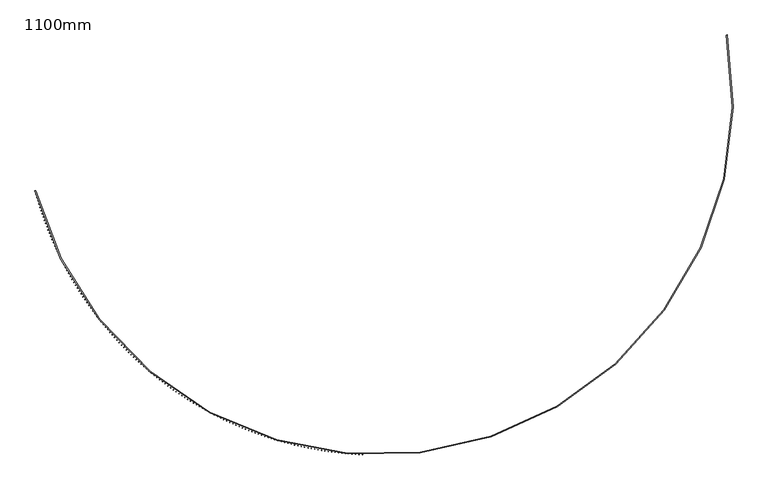
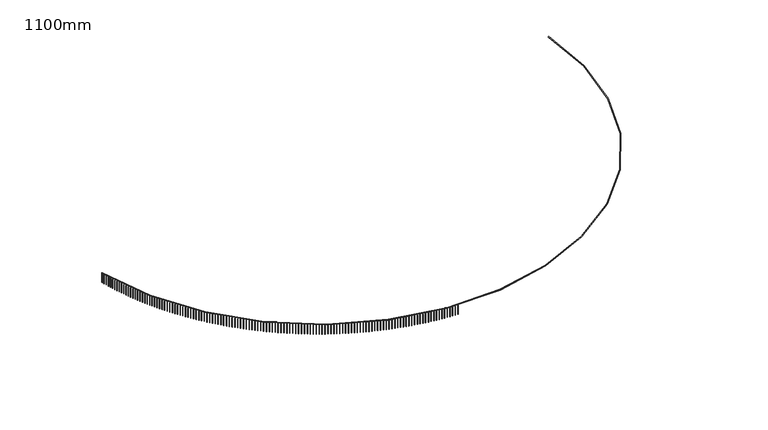
"""IFC4 building model written with IfcOpenShell, lengths in millimetres: railing geometry, 1100mm."""

from ifc_helpers import new_model, si_unit, point, frame, frame_2d, origin, place, context, project, spatial, polyline, circle_curve, trimmed, segment, composite_curve, outline, extrude, source, transform, mapped, element, save


def railing_1100mm_19614860(model_context):
    return source(origin(), model_context, "Body", "SweptSolid", [
        extrude(outline(composite_curve([segment(trimmed(circle_curve(frame_2d((-9136.8690583, -54154.7608855)), 28388.8165606), [point((-36585.4829825, -61400.3457034))], [point((18767.7276518, -48933.8042532))], True, "CARTESIAN"), True, "CONTINUOUS"), segment(polyline([(18767.7276518, -48933.8042532), (18816.8748162, -48924.6088071)]), True, "CONTINUOUS"), segment(trimmed(circle_curve(frame_2d((-9136.8690583, -54154.7608855)), 28438.8165606), [point((18816.8748162, -48924.6088071))], [point((-36633.8270441, -61413.1070399))], False, "CARTESIAN"), True, "CONTINUOUS"), segment(polyline([(-36633.8270441, -61413.1070399), (-36585.4829825, -61400.3457034)]), True, "CONTINUOUS")], self_intersect=False)), frame((0.0, 0.0, 19650.0), z_axis=(0.0, 0.0, 1.0), x_axis=(1.0, 0.0, 0.0)), (0.0, 0.0, 1.0), 50.0),
        extrude(outline(polyline([(-36591.3081731, -61427.223434), (-36615.4775056, -61433.6143155), (-36621.8683871, -61409.444983), (-36597.6990545, -61403.0541015), (-36591.3081731, -61427.223434)])), frame((0.0, 0.0, 18600.0), z_axis=(0.0, 0.0, 1.0), x_axis=(1.0, 0.0, 0.0)), (0.0, 0.0, 1.0), 1050.0),
        extrude(outline(polyline([(-36519.6377071, -61692.593449), (-36543.7440551, -61699.2179477), (-36550.3685538, -61675.1115996), (-36526.2622058, -61668.4871009), (-36519.6377071, -61692.593449)])), frame((0.0, 0.0, 18600.0), z_axis=(0.0, 0.0, 1.0), x_axis=(1.0, 0.0, 0.0)), (0.0, 0.0, 1.0), 1050.0),
        extrude(outline(polyline([(-36445.4022833, -61957.2573914), (-36469.4433889, -61964.1148868), (-36476.3008843, -61940.0737813), (-36452.2597788, -61933.2162858), (-36445.4022833, -61957.2573914)])), frame((0.0, 0.0, 18600.0), z_axis=(0.0, 0.0, 1.0), x_axis=(1.0, 0.0, 0.0)), (0.0, 0.0, 1.0), 1050.0),
        extrude(outline(polyline([(-36368.6088556, -62221.19047), (-36392.5824667, -62228.2803198), (-36399.6723165, -62204.3067087), (-36375.6987054, -62197.2168589), (-36368.6088556, -62221.19047)])), frame((0.0, 0.0, 18600.0), z_axis=(0.0, 0.0, 1.0), x_axis=(1.0, 0.0, 0.0)), (0.0, 0.0, 1.0), 1050.0),
        extrude(outline(polyline([(-36289.264617, -62484.3679621), (-36313.1684881, -62491.6895022), (-36320.4900282, -62467.7856312), (-36296.5861571, -62460.4640911), (-36289.264617, -62484.3679621)])), frame((0.0, 0.0, 18600.0), z_axis=(0.0, 0.0, 1.0), x_axis=(1.0, 0.0, 0.0)), (0.0, 0.0, 1.0), 1050.0),
        extrude(outline(polyline([(-36207.3769999, -62746.7652157), (-36231.2088918, -62754.3177603), (-36238.7614364, -62730.4858684), (-36214.9295445, -62722.9333238), (-36207.3769999, -62746.7652157)])), frame((0.0, 0.0, 18600.0), z_axis=(0.0, 0.0, 1.0), x_axis=(1.0, 0.0, 0.0)), (0.0, 0.0, 1.0), 1050.0),
        extrude(outline(polyline([(-36122.9536747, -63008.357652), (-36146.7113551, -63016.1404936), (-36154.4941967, -62992.3828132), (-36130.7365163, -62984.5999716), (-36122.9536747, -63008.357652)])), frame((0.0, 0.0, 18600.0), z_axis=(0.0, 0.0, 1.0), x_axis=(1.0, 0.0, 0.0)), (0.0, 0.0, 1.0), 1050.0),
        extrude(outline(polyline([(-36036.0025494, -63269.1207673), (-36059.6837929, -63277.1331769), (-36067.6962025, -63253.4519335), (-36044.014959, -63245.4395239), (-36036.0025494, -63269.1207673)])), frame((0.0, 0.0, 18600.0), z_axis=(0.0, 0.0, 1.0), x_axis=(1.0, 0.0, 0.0)), (0.0, 0.0, 1.0), 1050.0),
        extrude(outline(polyline([(-35946.5317687, -63529.030136), (-35970.1343571, -63537.2713631), (-35978.3755841, -63513.6687748), (-35954.7729958, -63505.4275477), (-35946.5317687, -63529.030136)])), frame((0.0, 0.0, 18600.0), z_axis=(0.0, 0.0, 1.0), x_axis=(1.0, 0.0, 0.0)), (0.0, 0.0, 1.0), 1050.0),
        extrude(outline(polyline([(-35854.5497134, -63788.0614122), (-35878.0714358, -63796.5306848), (-35886.5407084, -63773.0089625), (-35863.018986, -63764.5396899), (-35854.5497134, -63788.0614122)])), frame((0.0, 0.0, 18600.0), z_axis=(0.0, 0.0, 1.0), x_axis=(1.0, 0.0, 0.0)), (0.0, 0.0, 1.0), 1050.0),
        extrude(outline(polyline([(-35760.0649996, -64046.1903323), (-35783.5036526, -64054.8868571), (-35792.2001774, -64031.448204), (-35768.7615243, -64022.7516793), (-35760.0649996, -64046.1903323)])), frame((0.0, 0.0, 18600.0), z_axis=(0.0, 0.0, 1.0), x_axis=(1.0, 0.0, 0.0)), (0.0, 0.0, 1.0), 1050.0),
        extrude(outline(polyline([(-35663.0864775, -64303.3927172), (-35686.4398658, -64312.3156796), (-35695.3628281, -64288.9622913), (-35672.0094399, -64280.039329), (-35663.0864775, -64303.3927172)])), frame((0.0, 0.0, 18600.0), z_axis=(0.0, 0.0, 1.0), x_axis=(1.0, 0.0, 0.0)), (0.0, 0.0, 1.0), 1050.0),
        extrude(outline(polyline([(-35563.6232314, -64559.6444747), (-35586.8891673, -64568.7930388), (-35596.0377314, -64545.5271029), (-35572.7717955, -64536.3785387), (-35563.6232314, -64559.6444747)])), frame((0.0, 0.0, 18600.0), z_axis=(0.0, 0.0, 1.0), x_axis=(1.0, 0.0, 0.0)), (0.0, 0.0, 1.0), 1050.0),
        extrude(outline(polyline([(-35461.6845778, -64814.9216014), (-35484.8608821, -64824.2949104), (-35494.234191, -64801.1186061), (-35471.0578868, -64791.7452972), (-35461.6845778, -64814.9216014)])), frame((0.0, 0.0, 18600.0), z_axis=(0.0, 0.0, 1.0), x_axis=(1.0, 0.0, 0.0)), (0.0, 0.0, 1.0), 1050.0),
        extrude(outline(polyline([(-35357.2800656, -65069.2001856), (-35380.3645673, -65078.7973613), (-35389.961743, -65055.7128597), (-35366.8772413, -65046.1156839), (-35357.2800656, -65069.2001856)])), frame((0.0, 0.0, 18600.0), z_axis=(0.0, 0.0, 1.0), x_axis=(1.0, 0.0, 0.0)), (0.0, 0.0, 1.0), 1050.0),
        extrude(outline(polyline([(-35250.4194743, -65322.4564087), (-35273.410011, -65332.2765523), (-35283.2301546, -65309.2860156), (-35260.2396179, -65299.465872), (-35250.4194743, -65322.4564087)])), frame((0.0, 0.0, 18600.0), z_axis=(0.0, 0.0, 1.0), x_axis=(1.0, 0.0, 0.0)), (0.0, 0.0, 1.0), 1050.0),
        extrude(outline(polyline([(-35141.1128135, -65574.6665482), (-35164.0072318, -65584.7087398), (-35174.0494234, -65561.8143215), (-35151.1550051, -65551.7721299), (-35141.1128135, -65574.6665482)])), frame((0.0, 0.0, 18600.0), z_axis=(0.0, 0.0, 1.0), x_axis=(1.0, 0.0, 0.0)), (0.0, 0.0, 1.0), 1050.0),
        extrude(outline(polyline([(-35029.3703222, -65825.8069794), (-35052.1664775, -65836.0702783), (-35062.4297764, -65813.274123), (-35039.6336211, -65803.0108241), (-35029.3703222, -65825.8069794)])), frame((0.0, 0.0, 18600.0), z_axis=(0.0, 0.0, 1.0), x_axis=(1.0, 0.0, 0.0)), (0.0, 0.0, 1.0), 1050.0),
        extrude(outline(polyline([(-34915.2024673, -66075.8541778), (-34937.8982242, -66086.3376226), (-34948.3816691, -66063.6418657), (-34925.6859121, -66053.1584208), (-34915.2024673, -66075.8541778)])), frame((0.0, 0.0, 18600.0), z_axis=(0.0, 0.0, 1.0), x_axis=(1.0, 0.0, 0.0)), (0.0, 0.0, 1.0), 1050.0),
        extrude(outline(polyline([(-34798.6199429, -66324.7847214), (-34821.2131756, -66335.4873302), (-34831.9157844, -66312.8940975), (-34809.3225517, -66302.1914887), (-34798.6199429, -66324.7847214)])), frame((0.0, 0.0, 18600.0), z_axis=(0.0, 0.0, 1.0), x_axis=(1.0, 0.0, 0.0)), (0.0, 0.0, 1.0), 1050.0),
        extrude(outline(polyline([(-34679.6336693, -66572.5752928), (-34702.1222615, -66583.496063), (-34713.0430317, -66561.0074709), (-34690.5544396, -66550.0867006), (-34679.6336693, -66572.5752928)])), frame((0.0, 0.0, 18600.0), z_axis=(0.0, 0.0, 1.0), x_axis=(1.0, 0.0, 0.0)), (0.0, 0.0, 1.0), 1050.0),
        extrude(outline(polyline([(-34558.2547922, -66819.2026812), (-34580.6366373, -66830.3405899), (-34591.774546, -66807.9587449), (-34569.3927009, -66796.8208361), (-34558.2547922, -66819.2026812)])), frame((0.0, 0.0, 18600.0), z_axis=(0.0, 0.0, 1.0), x_axis=(1.0, 0.0, 0.0)), (0.0, 0.0, 1.0), 1050.0),
        extrude(outline(polyline([(-34434.4946811, -67064.643785), (-34456.7676825, -67075.9977889), (-34468.1216865, -67053.7247874), (-34445.848685, -67042.3707835), (-34434.4946811, -67064.643785)])), frame((0.0, 0.0, 18600.0), z_axis=(0.0, 0.0, 1.0), x_axis=(1.0, 0.0, 0.0)), (0.0, 0.0, 1.0), 1050.0),
        extrude(outline(polyline([(-34308.3649286, -67308.8756136), (-34330.5270002, -67320.4446491), (-34342.0960358, -67298.2825776), (-34319.9339642, -67286.713542), (-34308.3649286, -67308.8756136)])), frame((0.0, 0.0, 18600.0), z_axis=(0.0, 0.0, 1.0), x_axis=(1.0, 0.0, 0.0)), (0.0, 0.0, 1.0), 1050.0),
        extrude(outline(polyline([(-34179.8773495, -67551.8752896), (-34201.9264152, -67563.6582732), (-34213.7093987, -67541.6092075), (-34191.6603331, -67529.8262239), (-34179.8773495, -67551.8752896)])), frame((0.0, 0.0, 18600.0), z_axis=(0.0, 0.0, 1.0), x_axis=(1.0, 0.0, 0.0)), (0.0, 0.0, 1.0), 1050.0),
        extrude(outline(polyline([(-34049.0439792, -67793.6200511), (-34070.9779736, -67805.615879), (-34082.9738015, -67783.6818845), (-34061.039807, -67771.6860567), (-34049.0439792, -67793.6200511)])), frame((0.0, 0.0, 18600.0), z_axis=(0.0, 0.0, 1.0), x_axis=(1.0, 0.0, 0.0)), (0.0, 0.0, 1.0), 1050.0),
        extrude(outline(polyline([(-33915.8770729, -68034.0872539), (-33937.6939416, -68046.2948024), (-33949.9014901, -68024.4779337), (-33928.0846213, -68012.2703852), (-33915.8770729, -68034.0872539)])), frame((0.0, 0.0, 18600.0), z_axis=(0.0, 0.0, 1.0), x_axis=(1.0, 0.0, 0.0)), (0.0, 0.0, 1.0), 1050.0),
        extrude(outline(polyline([(-33780.3891045, -68273.2543732), (-33802.0868038, -68285.6724988), (-33814.5049294, -68263.9747995), (-33792.80723, -68251.5566739), (-33780.3891045, -68273.2543732)])), frame((0.0, 0.0, 18600.0), z_axis=(0.0, 0.0, 1.0), x_axis=(1.0, 0.0, 0.0)), (0.0, 0.0, 1.0), 1050.0),
        extrude(outline(polyline([(-33642.5927651, -68511.0990061), (-33664.1692626, -68523.7265456), (-33676.7968021, -68502.1500481), (-33655.2203046, -68489.5225086), (-33642.5927651, -68511.0990061)])), frame((0.0, 0.0, 18600.0), z_axis=(0.0, 0.0, 1.0), x_axis=(1.0, 0.0, 0.0)), (0.0, 0.0, 1.0), 1050.0),
        extrude(outline(polyline([(-33502.5009623, -68747.5988736), (-33523.9542369, -68760.4346442), (-33536.7900075, -68738.9813695), (-33515.3367329, -68726.1455989), (-33502.5009623, -68747.5988736)])), frame((0.0, 0.0, 18600.0), z_axis=(0.0, 0.0, 1.0), x_axis=(1.0, 0.0, 0.0)), (0.0, 0.0, 1.0), 1050.0),
        extrude(outline(polyline([(-33360.1268185, -68982.7318226), (-33381.4548607, -68995.7746219), (-33394.49766, -68974.4465797), (-33373.1696178, -68961.4037804), (-33360.1268185, -68982.7318226)])), frame((0.0, 0.0, 18600.0), z_axis=(0.0, 0.0, 1.0), x_axis=(1.0, 0.0, 0.0)), (0.0, 0.0, 1.0), 1050.0),
        extrude(outline(polyline([(-33215.4836699, -69216.4758281), (-33236.6844819, -69229.7244345), (-33249.9330883, -69208.5236225), (-33228.7322763, -69195.2750161), (-33215.4836699, -69216.4758281)])), frame((0.0, 0.0, 18600.0), z_axis=(0.0, 0.0, 1.0), x_axis=(1.0, 0.0, 0.0)), (0.0, 0.0, 1.0), 1050.0),
        extrude(outline(polyline([(-33068.5850654, -69448.8089952), (-33089.6566613, -69462.2621676), (-33103.1098337, -69441.1905717), (-33082.0382378, -69427.7373993), (-33068.5850654, -69448.8089952)])), frame((0.0, 0.0, 18600.0), z_axis=(0.0, 0.0, 1.0), x_axis=(1.0, 0.0, 0.0)), (0.0, 0.0, 1.0), 1050.0),
        extrude(outline(polyline([(-32919.444765, -69679.7095611), (-32940.385171, -69693.3660394), (-32954.0416492, -69672.4256334), (-32933.1012433, -69658.7691552), (-32919.444765, -69679.7095611)])), frame((0.0, 0.0, 18600.0), z_axis=(0.0, 0.0, 1.0), x_axis=(1.0, 0.0, 0.0)), (0.0, 0.0, 1.0), 1050.0),
        extrude(outline(polyline([(-32768.0767388, -69909.1558973), (-32788.8839934, -69923.0144022), (-32802.7424983, -69902.2071476), (-32781.9352437, -69888.3486427), (-32768.0767388, -69909.1558973)])), frame((0.0, 0.0, 18600.0), z_axis=(0.0, 0.0, 1.0), x_axis=(1.0, 0.0, 0.0)), (0.0, 0.0, 1.0), 1050.0),
        extrude(outline(polyline([(-32614.4951655, -70137.1265113), (-32635.1673196, -70151.1857448), (-32649.226553, -70130.5135906), (-32628.5543989, -70116.4543572), (-32614.4951655, -70137.1265113)])), frame((0.0, 0.0, 18600.0), z_axis=(0.0, 0.0, 1.0), x_axis=(1.0, 0.0, 0.0)), (0.0, 0.0, 1.0), 1050.0),
        extrude(outline(polyline([(-32458.7144311, -70363.6000492), (-32479.2495484, -70377.8586942), (-32493.5081934, -70357.3235769), (-32472.9730761, -70343.0649319), (-32458.7144311, -70363.6000492)])), frame((0.0, 0.0, 18600.0), z_axis=(0.0, 0.0, 1.0), x_axis=(1.0, 0.0, 0.0)), (0.0, 0.0, 1.0), 1050.0),
        extrude(outline(polyline([(-32300.7491278, -70588.5552969), (-32321.1452847, -70603.0120178), (-32335.6020057, -70582.6158609), (-32315.2058487, -70568.1591399), (-32300.7491278, -70588.5552969)])), frame((0.0, 0.0, 18600.0), z_axis=(0.0, 0.0, 1.0), x_axis=(1.0, 0.0, 0.0)), (0.0, 0.0, 1.0), 1050.0),
        extrude(outline(polyline([(-32140.6140521, -70811.9711828), (-32160.8693382, -70826.6246255), (-32175.522781, -70806.3693394), (-32155.2674948, -70791.7158967), (-32140.6140521, -70811.9711828)])), frame((0.0, 0.0, 18600.0), z_axis=(0.0, 0.0, 1.0), x_axis=(1.0, 0.0, 0.0)), (0.0, 0.0, 1.0), 1050.0),
        extrude(outline(polyline([(-31978.3242041, -71033.8267794), (-31998.436722, -71048.6755714), (-32013.2855139, -71028.5630535), (-31993.172996, -71013.7142615), (-31978.3242041, -71033.8267794)])), frame((0.0, 0.0, 18600.0), z_axis=(0.0, 0.0, 1.0), x_axis=(1.0, 0.0, 0.0)), (0.0, 0.0, 1.0), 1050.0),
        extrude(outline(polyline([(-31813.8947854, -71254.1013055), (-31833.8626512, -71269.1440558), (-31848.9054015, -71249.17619), (-31828.9375357, -71234.1334397), (-31813.8947854, -71254.1013055)])), frame((0.0, 0.0, 18600.0), z_axis=(0.0, 0.0, 1.0), x_axis=(1.0, 0.0, 0.0)), (0.0, 0.0, 1.0), 1050.0),
        extrude(outline(polyline([(-31647.3411984, -71472.7741277), (-31667.1625417, -71488.0094272), (-31682.3978412, -71468.188084), (-31662.5764979, -71452.9527845), (-31647.3411984, -71472.7741277)])), frame((0.0, 0.0, 18600.0), z_axis=(0.0, 0.0, 1.0), x_axis=(1.0, 0.0, 0.0)), (0.0, 0.0, 1.0), 1050.0),
        extrude(outline(polyline([(-31478.6790441, -71689.8247629), (-31498.3520082, -71705.2511846), (-31513.7784298, -71685.5782205), (-31494.1054658, -71670.1517989), (-31478.6790441, -71689.8247629)])), frame((0.0, 0.0, 18600.0), z_axis=(0.0, 0.0, 1.0), x_axis=(1.0, 0.0, 0.0)), (0.0, 0.0, 1.0), 1050.0),
        extrude(outline(polyline([(-31307.9241212, -71905.2328799), (-31327.4468633, -71920.8489787), (-31343.0629621, -71901.3262366), (-31323.54022, -71885.7101378), (-31307.9241212, -71905.2328799)])), frame((0.0, 0.0, 18600.0), z_axis=(0.0, 0.0, 1.0), x_axis=(1.0, 0.0, 0.0)), (0.0, 0.0, 1.0), 1050.0),
        extrude(outline(polyline([(-31135.0924245, -72118.9783012), (-31154.4631159, -72134.7826144), (-31170.267429, -72115.411923), (-31150.8967377, -72099.6076098), (-31135.0924245, -72118.9783012)])), frame((0.0, 0.0, 18600.0), z_axis=(0.0, 0.0, 1.0), x_axis=(1.0, 0.0, 0.0)), (0.0, 0.0, 1.0), 1050.0),
        extrude(outline(polyline([(-30960.2001431, -72331.0410053), (-30979.4169693, -72347.0320524), (-30995.4080165, -72327.8152262), (-30976.1911902, -72311.824179), (-30960.2001431, -72331.0410053)])), frame((0.0, 0.0, 18600.0), z_axis=(0.0, 0.0, 1.0), x_axis=(1.0, 0.0, 0.0)), (0.0, 0.0, 1.0), 1050.0),
        extrude(outline(polyline([(-30783.2636593, -72541.401128), (-30802.3248203, -72557.5774112), (-30818.5011036, -72538.5162502), (-30799.4399425, -72522.339967), (-30783.2636593, -72541.401128)])), frame((0.0, 0.0, 18600.0), z_axis=(0.0, 0.0, 1.0), x_axis=(1.0, 0.0, 0.0)), (0.0, 0.0, 1.0), 1050.0),
        extrude(outline(polyline([(-30604.2995468, -72750.0389649), (-30623.2032571, -72766.398969), (-30639.5632613, -72747.4952586), (-30620.6595509, -72731.1352545), (-30604.2995468, -72750.0389649)])), frame((0.0, 0.0, 18600.0), z_axis=(0.0, 0.0, 1.0), x_axis=(1.0, 0.0, 0.0)), (0.0, 0.0, 1.0), 1050.0),
        extrude(outline(polyline([(-30423.3245693, -72956.9349727), (-30442.0690583, -72973.4771652), (-30458.6112508, -72954.7326762), (-30439.8667618, -72938.1904837), (-30423.3245693, -72956.9349727)])), frame((0.0, 0.0, 18600.0), z_axis=(0.0, 0.0, 1.0), x_axis=(1.0, 0.0, 0.0)), (0.0, 0.0, 1.0), 1050.0),
        extrude(outline(polyline([(-30240.3556788, -73162.0697714), (-30258.9391906, -73178.7926028), (-30275.662022, -73160.2090911), (-30257.0785102, -73143.4862597), (-30240.3556788, -73162.0697714)])), frame((0.0, 0.0, 18600.0), z_axis=(0.0, 0.0, 1.0), x_axis=(1.0, 0.0, 0.0)), (0.0, 0.0, 1.0), 1050.0),
        extrude(outline(polyline([(-30055.4100141, -73365.424146), (-30073.830808, -73382.3260498), (-30090.7327118, -73363.905256), (-30072.3119179, -73347.0033521), (-30055.4100141, -73365.424146)])), frame((0.0, 0.0, 18600.0), z_axis=(0.0, 0.0, 1.0), x_axis=(1.0, 0.0, 0.0)), (0.0, 0.0, 1.0), 1050.0),
        extrude(outline(polyline([(-29868.5048991, -73566.979048), (-29886.7612496, -73584.0584411), (-29903.8406427, -73565.8020907), (-29885.5842922, -73548.7226976), (-29868.5048991, -73566.979048)])), frame((0.0, 0.0, 18600.0), z_axis=(0.0, 0.0, 1.0), x_axis=(1.0, 0.0, 0.0)), (0.0, 0.0, 1.0), 1050.0),
        extrude(outline(polyline([(-29679.6578414, -73766.7155978), (-29697.7480384, -73783.9708803), (-29715.0033209, -73765.8806834), (-29696.9131239, -73748.6254009), (-29679.6578414, -73766.7155978)])), frame((0.0, 0.0, 18600.0), z_axis=(0.0, 0.0, 1.0), x_axis=(1.0, 0.0, 0.0)), (0.0, 0.0, 1.0), 1050.0),
        extrude(outline(polyline([(-29488.8865303, -73964.615086), (-29506.8088793, -73982.0446416), (-29524.2384349, -73964.1222926), (-29506.3160859, -73946.692737), (-29488.8865303, -73964.615086)])), frame((0.0, 0.0, 18600.0), z_axis=(0.0, 0.0, 1.0), x_axis=(1.0, 0.0, 0.0)), (0.0, 0.0, 1.0), 1050.0),
        extrude(outline(polyline([(-29296.2088356, -74160.6589751), (-29313.9616577, -74178.2611712), (-29331.5638537, -74160.508349), (-29313.8110316, -74142.906153), (-29296.2088356, -74160.6589751)])), frame((0.0, 0.0, 18600.0), z_axis=(0.0, 0.0, 1.0), x_axis=(1.0, 0.0, 0.0)), (0.0, 0.0, 1.0), 1050.0),
        extrude(outline(polyline([(-29101.6428053, -74354.8289017), (-29119.2244377, -74372.6020894), (-29136.9976254, -74355.020457), (-29119.415993, -74337.2472693), (-29101.6428053, -74354.8289017)])), frame((0.0, 0.0, 18600.0), z_axis=(0.0, 0.0, 1.0), x_axis=(1.0, 0.0, 0.0)), (0.0, 0.0, 1.0), 1050.0),
        extrude(outline(polyline([(-28905.2066646, -74547.1066778), (-28922.6154604, -74565.0491923), (-28940.5579749, -74547.6403965), (-28923.1491791, -74529.6978819), (-28905.2066646, -74547.1066778)])), frame((0.0, 0.0, 18600.0), z_axis=(0.0, 0.0, 1.0), x_axis=(1.0, 0.0, 0.0)), (0.0, 0.0, 1.0), 1050.0),
        extrude(outline(polyline([(-28706.9188137, -74737.4742925), (-28724.1531423, -74755.5844532), (-28742.263303, -74738.3501247), (-28725.0289744, -74720.239964), (-28706.9188137, -74737.4742925)])), frame((0.0, 0.0, 18600.0), z_axis=(0.0, 0.0, 1.0), x_axis=(1.0, 0.0, 0.0)), (0.0, 0.0, 1.0), 1050.0),
        extrude(outline(polyline([(-28506.7978265, -74925.9139142), (-28523.8560734, -74944.1900246), (-28542.1321838, -74927.1317777), (-28525.0739369, -74908.8556673), (-28506.7978265, -74925.9139142)])), frame((0.0, 0.0, 18600.0), z_axis=(0.0, 0.0, 1.0), x_axis=(1.0, 0.0, 0.0)), (0.0, 0.0, 1.0), 1050.0),
        extrude(outline(polyline([(-28304.8624483, -75112.4078915), (-28321.7430157, -75130.8482397), (-28340.183364, -75113.9676723), (-28323.3027966, -75095.5273241), (-28304.8624483, -75112.4078915)])), frame((0.0, 0.0, 18600.0), z_axis=(0.0, 0.0, 1.0), x_axis=(1.0, 0.0, 0.0)), (0.0, 0.0, 1.0), 1050.0),
        extrude(outline(polyline([(-28101.1315945, -75296.9387554), (-28117.8329012, -75315.5416142), (-28136.43576, -75298.8403075), (-28119.7344533, -75280.2374487), (-28101.1315945, -75296.9387554)])), frame((0.0, 0.0, 18600.0), z_axis=(0.0, 0.0, 1.0), x_axis=(1.0, 0.0, 0.0)), (0.0, 0.0, 1.0), 1050.0),
        extrude(outline(polyline([(-27895.6243487, -75479.489221), (-27912.1448303, -75498.2528477), (-27930.908457, -75481.7323661), (-27914.3879754, -75462.9687394), (-27895.6243487, -75479.489221)])), frame((0.0, 0.0, 18600.0), z_axis=(0.0, 0.0, 1.0), x_axis=(1.0, 0.0, 0.0)), (0.0, 0.0, 1.0), 1050.0),
        extrude(outline(polyline([(-27688.3599609, -75660.0421884), (-27704.6980699, -75678.9648255), (-27723.6207069, -75662.6267165), (-27707.282598, -75643.7040795), (-27688.3599609, -75660.0421884)])), frame((0.0, 0.0, 18600.0), z_axis=(0.0, 0.0, 1.0), x_axis=(1.0, 0.0, 0.0)), (0.0, 0.0, 1.0), 1050.0),
        extrude(outline(polyline([(-27479.3578455, -75838.5807454), (-27495.5120515, -75857.6606204), (-27514.5919265, -75841.5064144), (-27498.4377205, -75822.4265394), (-27479.3578455, -75838.5807454)])), frame((0.0, 0.0, 18600.0), z_axis=(0.0, 0.0, 1.0), x_axis=(1.0, 0.0, 0.0)), (0.0, 0.0, 1.0), 1050.0),
        extrude(outline(polyline([(-27268.63758, -76015.0881681), (-27284.6063699, -76034.3234937), (-27303.8416955, -76018.3547039), (-27287.8729057, -75999.1193782), (-27268.63758, -76015.0881681)])), frame((0.0, 0.0, 18600.0), z_axis=(0.0, 0.0, 1.0), x_axis=(1.0, 0.0, 0.0)), (0.0, 0.0, 1.0), 1050.0),
        extrude(outline(polyline([(-27056.2189027, -76189.5479229), (-27072.0007805, -76208.9368974), (-27091.389755, -76193.1550195), (-27075.6078772, -76173.766045), (-27056.2189027, -76189.5479229)])), frame((0.0, 0.0, 18600.0), z_axis=(0.0, 0.0, 1.0), x_axis=(1.0, 0.0, 0.0)), (0.0, 0.0, 1.0), 1050.0),
        extrude(outline(polyline([(-26842.1217108, -76361.9436681), (-26857.7151983, -76381.4844753), (-26877.2560055, -76365.8909877), (-26861.662518, -76346.3501805), (-26842.1217108, -76361.9436681)])), frame((0.0, 0.0, 18600.0), z_axis=(0.0, 0.0, 1.0), x_axis=(1.0, 0.0, 0.0)), (0.0, 0.0, 1.0), 1050.0),
        extrude(outline(polyline([(-26626.366059, -76532.2592553), (-26641.7696956, -76551.9500648), (-26661.4605051, -76536.5464281), (-26646.0568685, -76516.8556187), (-26626.366059, -76532.2592553)])), frame((0.0, 0.0, 18600.0), z_axis=(0.0, 0.0, 1.0), x_axis=(1.0, 0.0, 0.0)), (0.0, 0.0, 1.0), 1050.0),
        extrude(outline(polyline([(-26408.9721572, -76700.478731), (-26424.1845, -76720.3176983), (-26444.0234674, -76705.1053555), (-26428.8111245, -76685.2663881), (-26408.9721572, -76700.478731)])), frame((0.0, 0.0, 18600.0), z_axis=(0.0, 0.0, 1.0), x_axis=(1.0, 0.0, 0.0)), (0.0, 0.0, 1.0), 1050.0),
        extrude(outline(polyline([(-26189.9603688, -76866.5863379), (-26204.9799929, -76886.5716048), (-26224.9652598, -76871.5519807), (-26209.9456357, -76851.5667138), (-26189.9603688, -76866.5863379)])), frame((0.0, 0.0, 18600.0), z_axis=(0.0, 0.0, 1.0), x_axis=(1.0, 0.0, 0.0)), (0.0, 0.0, 1.0), 1050.0),
        extrude(outline(polyline([(-25969.3512088, -77030.5665168), (-25984.1767073, -77050.6962111), (-26004.3064016, -77035.8707127), (-25989.4809032, -77015.7410183), (-25969.3512088, -77030.5665168)])), frame((0.0, 0.0, 18600.0), z_axis=(0.0, 0.0, 1.0), x_axis=(1.0, 0.0, 0.0)), (0.0, 0.0, 1.0), 1050.0),
        extrude(outline(polyline([(-25747.1653417, -77192.4039074), (-25761.7953258, -77212.6761437), (-25782.0675621, -77198.0461596), (-25767.437578, -77177.7739233), (-25747.1653417, -77192.4039074)])), frame((0.0, 0.0, 18600.0), z_axis=(0.0, 0.0, 1.0), x_axis=(1.0, 0.0, 0.0)), (0.0, 0.0, 1.0), 1050.0),
        extrude(outline(polyline([(-25523.4235798, -77352.0833504), (-25537.8566792, -77372.4962297), (-25558.2695585, -77358.0631304), (-25543.8364591, -77337.650251), (-25523.4235798, -77352.0833504)])), frame((0.0, 0.0, 18600.0), z_axis=(0.0, 0.0, 1.0), x_axis=(1.0, 0.0, 0.0)), (0.0, 0.0, 1.0), 1050.0),
        extrude(outline(polyline([(-25298.1468811, -77509.5898885), (-25312.3817438, -77530.1414988), (-25332.933354, -77515.9066362), (-25318.6984914, -77495.3550259), (-25298.1468811, -77509.5898885)])), frame((0.0, 0.0, 18600.0), z_axis=(0.0, 0.0, 1.0), x_axis=(1.0, 0.0, 0.0)), (0.0, 0.0, 1.0), 1050.0),
        extrude(outline(polyline([(-25071.3563474, -77664.9087681), (-25085.3916399, -77685.5971842), (-25106.0800561, -77671.5618917), (-25092.0447635, -77650.8734755), (-25071.3563474, -77664.9087681)])), frame((0.0, 0.0, 18600.0), z_axis=(0.0, 0.0, 1.0), x_axis=(1.0, 0.0, 0.0)), (0.0, 0.0, 1.0), 1050.0),
        extrude(outline(polyline([(-24843.0732222, -77818.0254403), (-24856.90763, -77838.8487244), (-24877.7309141, -77825.0143166), (-24863.8965063, -77804.1910325), (-24843.0732222, -77818.0254403)])), frame((0.0, 0.0, 18600.0), z_axis=(0.0, 0.0, 1.0), x_axis=(1.0, 0.0, 0.0)), (0.0, 0.0, 1.0), 1050.0),
        extrude(outline(polyline([(-24613.318889, -77968.9255625), (-24626.9511161, -77989.8817641), (-24647.9073176, -77976.249537), (-24634.2750905, -77955.2933354), (-24613.318889, -77968.9255625)])), frame((0.0, 0.0, 18600.0), z_axis=(0.0, 0.0, 1.0), x_axis=(1.0, 0.0, 0.0)), (0.0, 0.0, 1.0), 1050.0),
        extrude(outline(polyline([(-24382.1148689, -78117.595), (-24395.5436384, -78138.6821561), (-24416.6307944, -78125.2533865), (-24403.2020249, -78104.1662305), (-24382.1148689, -78117.595)])), frame((0.0, 0.0, 18600.0), z_axis=(0.0, 0.0, 1.0), x_axis=(1.0, 0.0, 0.0)), (0.0, 0.0, 1.0), 1050.0),
        extrude(outline(polyline([(-24149.482819, -78264.0198268), (-24162.7068731, -78285.235962), (-24183.9230083, -78272.011908), (-24170.6989542, -78250.7957727), (-24149.482819, -78264.0198268)])), frame((0.0, 0.0, 18600.0), z_axis=(0.0, 0.0, 1.0), x_axis=(1.0, 0.0, 0.0)), (0.0, 0.0, 1.0), 1050.0),
        extrude(outline(polyline([(-23915.44453, -78408.1863272), (-23928.4626299, -78429.5294543), (-23949.805757, -78416.5113544), (-23936.7876571, -78395.1682273), (-23915.44453, -78408.1863272)])), frame((0.0, 0.0, 18600.0), z_axis=(0.0, 0.0, 1.0), x_axis=(1.0, 0.0, 0.0)), (0.0, 0.0, 1.0), 1050.0),
        extrude(outline(polyline([(-23680.0219244, -78550.0809969), (-23692.8328507, -78571.5491167), (-23714.3009705, -78558.7381904), (-23701.4900442, -78537.2700706), (-23680.0219244, -78550.0809969)])), frame((0.0, 0.0, 18600.0), z_axis=(0.0, 0.0, 1.0), x_axis=(1.0, 0.0, 0.0)), (0.0, 0.0, 1.0), 1050.0),
        extrude(outline(polyline([(-23443.2370544, -78689.6905448), (-23455.8396071, -78711.2816463), (-23477.4307086, -78698.6790937), (-23464.8281559, -78677.0879921), (-23443.2370544, -78689.6905448)])), frame((0.0, 0.0, 18600.0), z_axis=(0.0, 0.0, 1.0), x_axis=(1.0, 0.0, 0.0)), (0.0, 0.0, 1.0), 1050.0),
        extrude(outline(polyline([(-23205.1120996, -78827.0018935), (-23217.5050983, -78848.7139543), (-23239.2171591, -78836.3209557), (-23226.8241605, -78814.6088949), (-23205.1120996, -78827.0018935)])), frame((0.0, 0.0, 18600.0), z_axis=(0.0, 0.0, 1.0), x_axis=(1.0, 0.0, 0.0)), (0.0, 0.0, 1.0), 1050.0),
        extrude(outline(polyline([(-22965.6693655, -78962.0021809), (-22977.8516492, -78983.8331673), (-22999.6826355, -78971.6508836), (-22987.5003518, -78949.8198973), (-22965.6693655, -78962.0021809)])), frame((0.0, 0.0, 18600.0), z_axis=(0.0, 0.0, 1.0), x_axis=(1.0, 0.0, 0.0)), (0.0, 0.0, 1.0), 1050.0),
        extrude(outline(polyline([(-22724.9312807, -79094.6787616), (-22736.9017083, -79116.6266285), (-22758.8495752, -79104.6562009), (-22746.8791476, -79082.708334), (-22724.9312807, -79094.6787616)])), frame((0.0, 0.0, 18600.0), z_axis=(0.0, 0.0, 1.0), x_axis=(1.0, 0.0, 0.0)), (0.0, 0.0, 1.0), 1050.0),
        extrude(outline(polyline([(-22482.9203953, -79225.0192076), (-22494.6778455, -79247.0818993), (-22516.7405372, -79235.324449), (-22504.9830869, -79213.2617573), (-22482.9203953, -79225.0192076)])), frame((0.0, 0.0, 18600.0), z_axis=(0.0, 0.0, 1.0), x_axis=(1.0, 0.0, 0.0)), (0.0, 0.0, 1.0), 1050.0),
        extrude(outline(polyline([(-22239.6593785, -79353.0113099), (-22251.2027501, -79375.1867597), (-22273.3781998, -79363.6433881), (-22261.8348282, -79341.4679383), (-22239.6593785, -79353.0113099)])), frame((0.0, 0.0, 18600.0), z_axis=(0.0, 0.0, 1.0), x_axis=(1.0, 0.0, 0.0)), (0.0, 0.0, 1.0), 1050.0),
        extrude(outline(polyline([(-21995.1710167, -79478.6430794), (-22006.4992284, -79500.9292101), (-22028.7853591, -79489.6009984), (-22017.4571474, -79467.3148678), (-21995.1710167, -79478.6430794)])), frame((0.0, 0.0, 18600.0), z_axis=(0.0, 0.0, 1.0), x_axis=(1.0, 0.0, 0.0)), (0.0, 0.0, 1.0), 1050.0),
        extrude(outline(polyline([(-21749.4782114, -79601.9027482), (-21760.590202, -79624.2974722), (-21782.984926, -79613.1854816), (-21771.8729354, -79590.7907575), (-21749.4782114, -79601.9027482)])), frame((0.0, 0.0, 18600.0), z_axis=(0.0, 0.0, 1.0), x_axis=(1.0, 0.0, 0.0)), (0.0, 0.0, 1.0), 1050.0),
        extrude(outline(polyline([(-21502.6039766, -79722.7787703), (-21513.4987053, -79745.27999), (-21535.9999249, -79734.3852613), (-21525.1051963, -79711.8840416), (-21502.6039766, -79722.7787703)])), frame((0.0, 0.0, 18600.0), z_axis=(0.0, 0.0, 1.0), x_axis=(1.0, 0.0, 0.0)), (0.0, 0.0, 1.0), 1050.0),
        extrude(outline(polyline([(-21254.5714372, -79841.2598233), (-21265.2478834, -79863.8654309), (-21287.853491, -79853.1889847), (-21277.1770448, -79830.5833771), (-21254.5714372, -79841.2598233)])), frame((0.0, 0.0, 18600.0), z_axis=(0.0, 0.0, 1.0), x_axis=(1.0, 0.0, 0.0)), (0.0, 0.0, 1.0), 1050.0),
        extrude(outline(polyline([(-21005.4038265, -79957.3348091), (-21015.8609902, -79980.0426872), (-21038.5688683, -79969.5855234), (-21028.1117045, -79946.8776454), (-21005.4038265, -79957.3348091)])), frame((0.0, 0.0, 18600.0), z_axis=(0.0, 0.0, 1.0), x_axis=(1.0, 0.0, 0.0)), (0.0, 0.0, 1.0), 1050.0),
        extrude(outline(polyline([(-20755.1244842, -80070.9928548), (-20765.3613859, -80093.8008763), (-20788.1694073, -80083.5639745), (-20777.9325056, -80060.7559531), (-20755.1244842, -80070.9928548)])), frame((0.0, 0.0, 18600.0), z_axis=(0.0, 0.0, 1.0), x_axis=(1.0, 0.0, 0.0)), (0.0, 0.0, 1.0), 1050.0),
        extrude(outline(polyline([(-20503.756854, -80182.223314), (-20513.7725348, -80205.1293424), (-20536.6785632, -80195.1136616), (-20526.6628824, -80172.2076332), (-20503.756854, -80182.223314)])), frame((0.0, 0.0, 18600.0), z_axis=(0.0, 0.0, 1.0), x_axis=(1.0, 0.0, 0.0)), (0.0, 0.0, 1.0), 1050.0),
        extrude(outline(polyline([(-20251.3244818, -80291.0157677), (-20261.1180034, -80314.0176574), (-20284.1198932, -80304.2241358), (-20274.3263715, -80281.222246), (-20251.3244818, -80291.0157677)])), frame((0.0, 0.0, 18600.0), z_axis=(0.0, 0.0, 1.0), x_axis=(1.0, 0.0, 0.0)), (0.0, 0.0, 1.0), 1050.0),
        extrude(outline(polyline([(-19997.8510129, -80397.3600252), (-20007.4214581, -80420.4556217), (-20030.5170546, -80410.8851765), (-20020.9466094, -80387.78958), (-19997.8510129, -80397.3600252)])), frame((0.0, 0.0, 18600.0), z_axis=(0.0, 0.0, 1.0), x_axis=(1.0, 0.0, 0.0)), (0.0, 0.0, 1.0), 1050.0),
        extrude(outline(polyline([(-19743.3601904, -80501.2461253), (-19752.7066626, -80524.4332652), (-19775.8938025, -80515.0867929), (-19766.5473303, -80491.899653), (-19743.3601904, -80501.2461253)])), frame((0.0, 0.0, 18600.0), z_axis=(0.0, 0.0, 1.0), x_axis=(1.0, 0.0, 0.0)), (0.0, 0.0, 1.0), 1050.0),
        extrude(outline(polyline([(-19487.8758525, -80602.6643369), (-19496.9974763, -80625.9408482), (-19520.2739876, -80616.8192243), (-19511.1523638, -80593.542713), (-19487.8758525, -80602.6643369)])), frame((0.0, 0.0, 18600.0), z_axis=(0.0, 0.0, 1.0), x_axis=(1.0, 0.0, 0.0)), (0.0, 0.0, 1.0), 1050.0),
        extrude(outline(polyline([(-19231.4219306, -80701.60516), (-19240.3178516, -80724.9688624), (-19263.681554, -80716.0729414), (-19254.785633, -80692.709239), (-19231.4219306, -80701.60516)])), frame((0.0, 0.0, 18600.0), z_axis=(0.0, 0.0, 1.0), x_axis=(1.0, 0.0, 0.0)), (0.0, 0.0, 1.0), 1050.0),
        extrude(outline(polyline([(-18974.0224469, -80798.0593269), (-18982.6918317, -80821.5080319), (-19006.1405367, -80812.838647), (-18997.4711519, -80789.389942), (-18974.0224469, -80798.0593269)])), frame((0.0, 0.0, 18600.0), z_axis=(0.0, 0.0, 1.0), x_axis=(1.0, 0.0, 0.0)), (0.0, 0.0, 1.0), 1050.0),
        extrude(outline(polyline([(-18715.701512, -80892.0178026), (-18724.1435487, -80915.5493137), (-18747.6750598, -80907.1072771), (-18739.2330232, -80883.5757659), (-18715.701512, -80892.0178026)])), frame((0.0, 0.0, 18600.0), z_axis=(0.0, 0.0, 1.0), x_axis=(1.0, 0.0, 0.0)), (0.0, 0.0, 1.0), 1050.0),
        extrude(outline(polyline([(-18456.4833231, -80983.471786), (-18464.6972208, -81007.0838991), (-18488.3093339, -80998.8700014), (-18480.0954362, -80975.2578883), (-18456.4833231, -80983.471786)])), frame((0.0, 0.0, 18600.0), z_axis=(0.0, 0.0, 1.0), x_axis=(1.0, 0.0, 0.0)), (0.0, 0.0, 1.0), 1050.0),
        extrude(outline(polyline([(-18196.3921612, -81072.4127105), (-18204.3771505, -81096.1032138), (-18228.0676538, -81088.1182245), (-18220.0826645, -81064.4277212), (-18196.3921612, -81072.4127105)])), frame((0.0, 0.0, 18600.0), z_axis=(0.0, 0.0, 1.0), x_axis=(1.0, 0.0, 0.0)), (0.0, 0.0, 1.0), 1050.0),
        extrude(outline(polyline([(-17935.4523893, -81158.8322451), (-17943.2077223, -81182.5989194), (-17966.9743966, -81174.8435865), (-17959.2190637, -81151.0769121), (-17935.4523893, -81158.8322451)])), frame((0.0, 0.0, 18600.0), z_axis=(0.0, 0.0, 1.0), x_axis=(1.0, 0.0, 0.0)), (0.0, 0.0, 1.0), 1050.0),
        extrude(outline(polyline([(-17673.6884496, -81242.7222947), (-17681.2133998, -81266.5629139), (-17705.054019, -81259.0379637), (-17697.5290688, -81235.1973445), (-17673.6884496, -81242.7222947)])), frame((0.0, 0.0, 18600.0), z_axis=(0.0, 0.0, 1.0), x_axis=(1.0, 0.0, 0.0)), (0.0, 0.0, 1.0), 1050.0),
        extrude(outline(polyline([(-17411.1248618, -81324.0750013), (-17418.4187243, -81347.9873322), (-17442.3310552, -81340.6934697), (-17435.0371927, -81316.7811388), (-17411.1248618, -81324.0750013)])), frame((0.0, 0.0, 18600.0), z_axis=(0.0, 0.0, 1.0), x_axis=(1.0, 0.0, 0.0)), (0.0, 0.0, 1.0), 1050.0),
        extrude(outline(polyline([(-17147.7862202, -81402.8827446), (-17154.8483119, -81426.8645473), (-17178.8301146, -81419.8024557), (-17171.7680229, -81395.820653), (-17147.7862202, -81402.8827446)])), frame((0.0, 0.0, 18600.0), z_axis=(0.0, 0.0, 1.0), x_axis=(1.0, 0.0, 0.0)), (0.0, 0.0, 1.0), 1050.0),
        extrude(outline(polyline([(-16883.697192, -81479.1381427), (-16890.5268514, -81503.1871708), (-16914.5758795, -81496.3575115), (-16907.7462202, -81472.3084834), (-16883.697192, -81479.1381427)])), frame((0.0, 0.0, 18600.0), z_axis=(0.0, 0.0, 1.0), x_axis=(1.0, 0.0, 0.0)), (0.0, 0.0, 1.0), 1050.0),
        extrude(outline(polyline([(-16618.8825146, -81552.8340525), (-16625.4791018, -81576.9480534), (-16649.5931026, -81570.3514662), (-16642.9965154, -81546.2374653), (-16618.8825146, -81552.8340525)])), frame((0.0, 0.0, 18600.0), z_axis=(0.0, 0.0, 1.0), x_axis=(1.0, 0.0, 0.0)), (0.0, 0.0, 1.0), 1050.0),
        extrude(outline(polyline([(-16353.3669931, -81623.9635711), (-16359.7298903, -81648.1402859), (-16383.9066051, -81641.7773887), (-16377.5437079, -81617.6006739), (-16353.3669931, -81623.9635711)])), frame((0.0, 0.0, 18600.0), z_axis=(0.0, 0.0, 1.0), x_axis=(1.0, 0.0, 0.0)), (0.0, 0.0, 1.0), 1050.0),
        extrude(outline(polyline([(-16087.1754987, -81692.5200356), (-16093.3041099, -81716.7571998), (-16117.541274, -81710.6285886), (-16111.4126628, -81686.3914245), (-16087.1754987, -81692.5200356)])), frame((0.0, 0.0, 18600.0), z_axis=(0.0, 0.0, 1.0), x_axis=(1.0, 0.0, 0.0)), (0.0, 0.0, 1.0), 1050.0),
        extrude(outline(polyline([(-15820.3329656, -81758.4970244), (-15826.2267166, -81782.7923675), (-15850.5220598, -81776.8986165), (-15844.6283087, -81752.6032733), (-15820.3329656, -81758.4970244)])), frame((0.0, 0.0, 18600.0), z_axis=(0.0, 0.0, 1.0), x_axis=(1.0, 0.0, 0.0)), (0.0, 0.0, 1.0), 1050.0),
        extrude(outline(polyline([(-15552.864389, -81821.8883573), (-15558.5227279, -81846.2396037), (-15582.8739743, -81840.5812648), (-15577.2156354, -81816.2300184), (-15552.864389, -81821.8883573)])), frame((0.0, 0.0, 18600.0), z_axis=(0.0, 0.0, 1.0), x_axis=(1.0, 0.0, 0.0)), (0.0, 0.0, 1.0), 1050.0),
        extrude(outline(polyline([(-15284.7948229, -81882.6880965), (-15290.2172196, -81907.0929652), (-15314.6220883, -81901.6705685), (-15309.1996916, -81877.2656998), (-15284.7948229, -81882.6880965)])), frame((0.0, 0.0, 18600.0), z_axis=(0.0, 0.0, 1.0), x_axis=(1.0, 0.0, 0.0)), (0.0, 0.0, 1.0), 1050.0),
        extrude(outline(polyline([(-15016.1493776, -81940.8905468), (-15021.3353241, -81965.3467517), (-15045.791529, -81960.1608051), (-15040.6055825, -81935.7046002), (-15016.1493776, -81940.8905468)])), frame((0.0, 0.0, 18600.0), z_axis=(0.0, 0.0, 1.0), x_axis=(1.0, 0.0, 0.0)), (0.0, 0.0, 1.0), 1050.0),
        extrude(outline(polyline([(-14746.953217, -81996.4902563), (-14751.9022277, -82020.9955066), (-14776.4074781, -82016.0464959), (-14771.4584674, -81991.5412456), (-14746.953217, -81996.4902563)])), frame((0.0, 0.0, 18600.0), z_axis=(0.0, 0.0, 1.0), x_axis=(1.0, 0.0, 0.0)), (0.0, 0.0, 1.0), 1050.0),
        extrude(outline(polyline([(-14477.2315571, -82049.482017), (-14481.9431684, -82074.0340174), (-14506.4951687, -82069.3224061), (-14501.7835574, -82044.7704058), (-14477.2315571, -82049.482017)])), frame((0.0, 0.0, 18600.0), z_axis=(0.0, 0.0, 1.0), x_axis=(1.0, 0.0, 0.0)), (0.0, 0.0, 1.0), 1050.0),
        extrude(outline(polyline([(-14207.0096627, -82099.8608652), (-14211.4834332, -82124.4573157), (-14236.0798837, -82119.9835453), (-14231.6061133, -82095.3870948), (-14207.0096627, -82099.8608652)])), frame((0.0, 0.0, 18600.0), z_axis=(0.0, 0.0, 1.0), x_axis=(1.0, 0.0, 0.0)), (0.0, 0.0, 1.0), 1050.0),
        extrude(outline(polyline([(-13936.3128458, -82147.6220818), (-13940.5483564, -82172.2606786), (-13965.1869531, -82168.025168), (-13960.9514425, -82143.3865712), (-13936.3128458, -82147.6220818)])), frame((0.0, 0.0, 18600.0), z_axis=(0.0, 0.0, 1.0), x_axis=(1.0, 0.0, 0.0)), (0.0, 0.0, 1.0), 1050.0),
        extrude(outline(polyline([(-13665.1664625, -82192.761193), (-13669.1633165, -82217.4396281), (-13693.8417515, -82213.4427741), (-13689.8448975, -82188.764339), (-13665.1664625, -82192.761193)])), frame((0.0, 0.0, 18600.0), z_axis=(0.0, 0.0, 1.0), x_axis=(1.0, 0.0, 0.0)), (0.0, 0.0, 1.0), 1050.0),
        extrude(outline(polyline([(-13393.5959113, -82235.2739706), (-13397.3537343, -82259.9899324), (-13422.069696, -82256.2321094), (-13418.311873, -82231.5161476), (-13393.5959113, -82235.2739706)])), frame((0.0, 0.0, 18600.0), z_axis=(0.0, 0.0, 1.0), x_axis=(1.0, 0.0, 0.0)), (0.0, 0.0, 1.0), 1050.0),
        extrude(outline(polyline([(-13121.6266303, -82275.1564325), (-13125.1450703, -82299.9076058), (-13149.8962436, -82296.3891657), (-13146.3778036, -82271.6379924), (-13121.6266303, -82275.1564325)])), frame((0.0, 0.0, 18600.0), z_axis=(0.0, 0.0, 1.0), x_axis=(1.0, 0.0, 0.0)), (0.0, 0.0, 1.0), 1050.0),
        extrude(outline(polyline([(-12849.2840951, -82312.4048427), (-12852.5628226, -82337.1889091), (-12877.346889, -82333.9101816), (-12874.0681615, -82309.1261152), (-12849.2840951, -82312.4048427)])), frame((0.0, 0.0, 18600.0), z_axis=(0.0, 0.0, 1.0), x_axis=(1.0, 0.0, 0.0)), (0.0, 0.0, 1.0), 1050.0),
        extrude(outline(polyline([(-12576.5938162, -82347.0157122), (-12579.6325239, -82371.8303502), (-12604.4471619, -82368.7916424), (-12601.4084541, -82343.9770044), (-12576.5938162, -82347.0157122)])), frame((0.0, 0.0, 18600.0), z_axis=(0.0, 0.0, 1.0), x_axis=(1.0, 0.0, 0.0)), (0.0, 0.0, 1.0), 1050.0),
        extrude(outline(polyline([(-12303.5813364, -82378.9857991), (-12306.3797399, -82403.8286841), (-12331.222625, -82401.0302807), (-12328.4242215, -82376.1873956), (-12303.5813364, -82378.9857991)])), frame((0.0, 0.0, 18600.0), z_axis=(0.0, 0.0, 1.0), x_axis=(1.0, 0.0, 0.0)), (0.0, 0.0, 1.0), 1050.0),
        extrude(outline(polyline([(-12030.2722292, -82408.3121086), (-12032.8300662, -82433.1809137), (-12057.6988714, -82430.6230767), (-12055.1410343, -82405.7542716), (-12030.2722292, -82408.3121086)])), frame((0.0, 0.0, 18600.0), z_axis=(0.0, 0.0, 1.0), x_axis=(1.0, 0.0, 0.0)), (0.0, 0.0, 1.0), 1050.0),
        extrude(outline(polyline([(-11756.6920954, -82434.9918937), (-11759.0091264, -82459.8842895), (-11783.9015222, -82457.5672585), (-11781.5844912, -82432.6748627), (-11756.6920954, -82434.9918937)])), frame((0.0, 0.0, 18600.0), z_axis=(0.0, 0.0, 1.0), x_axis=(1.0, 0.0, 0.0)), (0.0, 0.0, 1.0), 1050.0),
        extrude(outline(polyline([(-11482.8665615, -82459.0226554), (-11484.9425694, -82483.9363101), (-11509.8562241, -82481.8603022), (-11507.7802162, -82456.9466475), (-11482.8665615, -82459.0226554)])), frame((0.0, 0.0, 18600.0), z_axis=(0.0, 0.0, 1.0), x_axis=(1.0, 0.0, 0.0)), (0.0, 0.0, 1.0), 1050.0),
        extrude(outline(polyline([(-11208.8212768, -82480.4021427), (-11210.6560672, -82505.3347226), (-11235.5886471, -82503.4999322), (-11233.7538567, -82478.5673523), (-11208.8212768, -82480.4021427)])), frame((0.0, 0.0, 18600.0), z_axis=(0.0, 0.0, 1.0), x_axis=(1.0, 0.0, 0.0)), (0.0, 0.0, 1.0), 1050.0),
        extrude(outline(polyline([(-10934.5819113, -82499.1283528), (-10936.1753123, -82524.0775226), (-10961.1244821, -82522.4841216), (-10959.5310811, -82497.5349518), (-10934.5819113, -82499.1283528)])), frame((0.0, 0.0, 18600.0), z_axis=(0.0, 0.0, 1.0), x_axis=(1.0, 0.0, 0.0)), (0.0, 0.0, 1.0), 1050.0),
        extrude(outline(polyline([(-10660.1741531, -82515.1995318), (-10661.5260154, -82540.1629545), (-10686.489438, -82538.8110921), (-10685.1375757, -82513.8476695), (-10660.1741531, -82515.1995318)])), frame((0.0, 0.0, 18600.0), z_axis=(0.0, 0.0, 1.0), x_axis=(1.0, 0.0, 0.0)), (0.0, 0.0, 1.0), 1050.0),
        extrude(outline(polyline([(-10385.6237062, -82528.6141743), (-10386.7339032, -82553.5895114), (-10411.7092403, -82552.4793143), (-10410.5990433, -82527.5039773), (-10385.6237062, -82528.6141743)])), frame((0.0, 0.0, 18600.0), z_axis=(0.0, 0.0, 1.0), x_axis=(1.0, 0.0, 0.0)), (0.0, 0.0, 1.0), 1050.0),
    ])


if __name__ == "__main__":
    model = new_model("IFC4")
    model_context = context("Model", 3, world=origin())
    ifc_project = project(units=[si_unit("LENGTHUNIT", "METRE", prefix="MILLI")], contexts=[model_context])
    site = spatial("IfcSite", under=ifc_project)
    building = spatial("IfcBuilding", under=site)
    placement = place(None, origin())
    railing_1100mm_shape = railing_1100mm_19614860(model_context)
    element("IfcRailing", 1, ObjectType="1100mm", at=placement, inside=building, context=model_context, shape_type="MappedRepresentation", body=[
        mapped(railing_1100mm_shape, transform((0.0, 0.0, 0.0), x_axis=(1.0, 0.0, 0.0), y_axis=(0.0, 1.0, 0.0), z_axis=(0.0, 0.0, 1.0))),
    ])
    save(model, "model.ifc")
